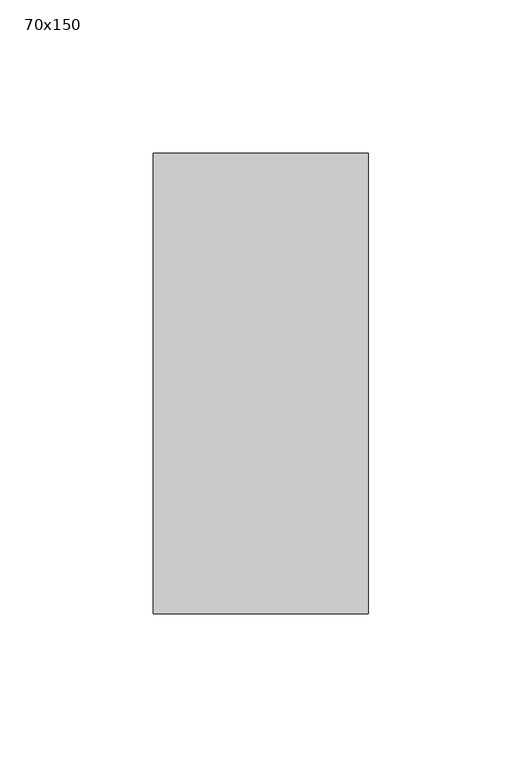
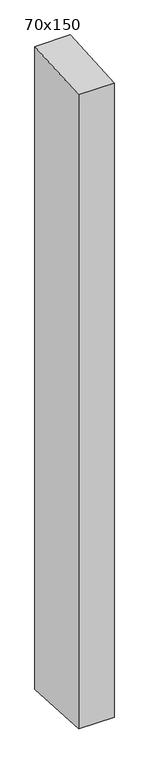
"""IFC4 building model written with IfcOpenShell, lengths in millimetres: member geometry, 70x150."""

from ifc_helpers import new_model, si_unit, frame, origin, place, context, project, spatial, polyline, outline, extrude, source, transform, mapped, element, save


def member_70x150_b9ec8dcc(model_context):
    return source(origin(), model_context, "Body", "SweptSolid", [
        extrude(outline(polyline([(-75.0, -5.0270374), (75.0, 5.0270374), (75.0, -1339.9081785), (-75.0, -1331.8639581), (-75.0, -5.0270374)])), frame((-70.0, 0.0, 0.0), z_axis=(1.0, 0.0, 0.0), x_axis=(0.0, 1.0, 0.0)), (0.0, 0.0, 1.0), 70.0),
    ])


if __name__ == "__main__":
    model = new_model("IFC4")
    model_context = context("Model", 3, world=origin())
    ifc_project = project(units=[si_unit("LENGTHUNIT", "METRE", prefix="MILLI")], contexts=[model_context])
    site = spatial("IfcSite", under=ifc_project)
    building = spatial("IfcBuilding", under=site)
    placement = place(None, origin())
    member_70x150_shape = member_70x150_b9ec8dcc(model_context)
    element("IfcMember", 1, ObjectType="70x150", at=placement, inside=building, context=model_context, shape_type="MappedRepresentation", body=[
        mapped(member_70x150_shape, transform((0.0, 0.0, 0.0), x_axis=(1.0, 0.0, 0.0), y_axis=(0.0, 1.0, 0.0), z_axis=(0.0, 0.0, 1.0))),
    ])
    save(model, "model.ifc")
